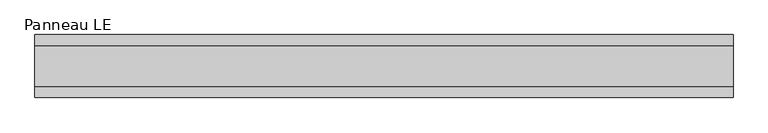
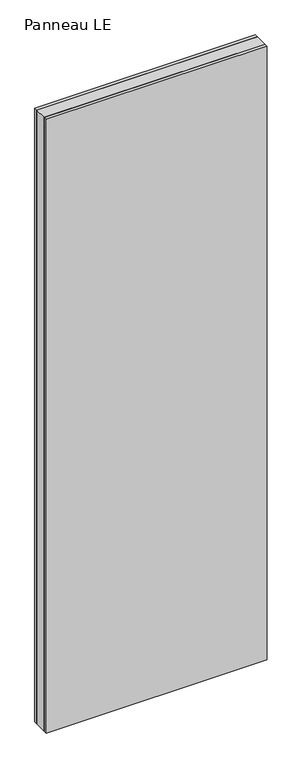
"""IFC4 building model written with IfcOpenShell, lengths in millimetres: plate geometry, Panneau LE."""

from ifc_helpers import new_model, si_unit, origin, origin_with_axes, place, context, project, spatial, polyline, outline, extrude, source, transform, mapped, element, save


def panneau_le_26e5146a(model_context):
    return source(origin(), model_context, "Body", "SweptSolid", [
        extrude(outline(polyline([(499.4415343, 29.0), (499.4415343, -29.0), (-499.4415343, -29.0), (-499.4415343, 29.0), (499.4415343, 29.0)])), origin_with_axes(), (0.0, 0.0, 1.0), 2933.0),
        extrude(outline(polyline([(499.4415343, 45.0), (499.4415343, 29.0), (-499.4415343, 29.0), (-499.4415343, 45.0), (499.4415343, 45.0)])), origin_with_axes(), (0.0, 0.0, 1.0), 2933.0),
        extrude(outline(polyline([(-499.4415343, -45.0), (-499.4415343, -29.0), (499.4415343, -29.0), (499.4415343, -45.0), (-499.4415343, -45.0)])), origin_with_axes(), (0.0, 0.0, 1.0), 2933.0),
    ])


if __name__ == "__main__":
    model = new_model("IFC4")
    model_context = context("Model", 3, world=origin())
    ifc_project = project(units=[si_unit("LENGTHUNIT", "METRE", prefix="MILLI")], contexts=[model_context])
    site = spatial("IfcSite", under=ifc_project)
    building = spatial("IfcBuilding", under=site)
    placement = place(None, origin())
    panneau_le_shape = panneau_le_26e5146a(model_context)
    element("IfcPlate", 1, ObjectType="Panneau LE", at=placement, inside=building, context=model_context, shape_type="MappedRepresentation", body=[
        mapped(panneau_le_shape, transform((0.0, 0.0, 0.0), x_axis=(1.0, 0.0, 0.0), y_axis=(0.0, 1.0, 0.0), z_axis=(0.0, 0.0, 1.0))),
    ])
    save(model, "model.ifc")
